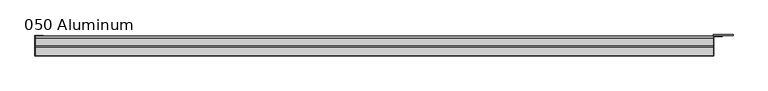
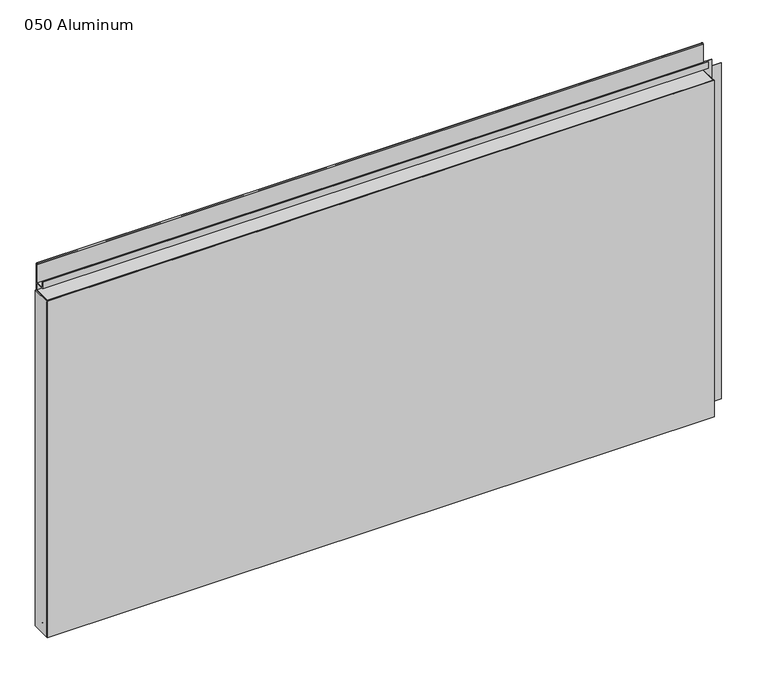
"""IFC4 building model written with IfcOpenShell, lengths in millimetres: plate geometry, 050 Aluminum."""

from ifc_helpers import new_model, si_unit, point, frame, frame_2d, origin, origin_with_axes, place, context, project, spatial, polyline, circle_curve, trimmed, segment, composite_curve, outline, extrude, source, transform, mapped, element, save


def plate_050_aluminum_1e2f2965(model_context):
    return source(origin(), model_context, "Body", "SweptSolid", [
        extrude(outline(polyline([(-576.58, -2.5660257), (-576.58, -34.7980001), (-577.8499999, -34.7980001), (-577.8499999, -1.2699999), (-563.6894994, -1.2699999), (-563.6894994, -2.5660257), (-576.58, -2.5660257)])), origin_with_axes(), (0.0, 0.0, 1.0), 608.33),
        extrude(outline(composite_curve([segment(polyline([(-16.6765477, 13.1458337), (-16.6765477, 2.786437), (-17.9464915, 2.786437), (-17.9464915, 13.1323356)]), True, "CONTINUOUS"), segment(trimmed(circle_curve(frame_2d((-19.8514743, 13.124237)), 1.905), [point((-17.9464915, 13.1323356))], [point((-21.7564743, 13.124237))], True, "CARTESIAN"), True, "CONTINUOUS"), segment(polyline([(-21.7564743, 13.124237), (-21.7564743, 0.0), (-34.7980002, 0.0), (-34.7980002, 1.2693678), (-23.0264743, 1.2693678), (-23.0264743, 13.124237)]), True, "CONTINUOUS"), segment(trimmed(circle_curve(frame_2d((-19.8514743, 13.124237)), 3.175), [point((-23.0264743, 13.124237))], [point((-16.6765477, 13.1458337))], False, "CARTESIAN"), True, "CONTINUOUS")], self_intersect=False)), frame((-576.58, 0.0, 0.0), z_axis=(1.0, 0.0, 0.0), x_axis=(0.0, 1.0, 0.0)), (0.0, 0.0, 1.0), 1140.46),
        extrude(outline(composite_curve([segment(polyline([(-2.0574743, 656.7932001), (-2.0574743, 608.33), (-34.7980002, 608.33), (-34.7980002, 609.6000001), (-3.3274743, 609.6000001), (-3.3274743, 656.7932001)]), True, "CONTINUOUS"), segment(trimmed(circle_curve(frame_2d((-3.7084742, 656.7932001)), 0.3809999), [point((-3.3274743, 656.7932001))], [point((-4.0894742, 656.7932001))], True, "CARTESIAN"), True, "CONTINUOUS"), segment(polyline([(-4.0894742, 656.7932001), (-4.0894742, 622.3), (-20.4864742, 622.3), (-20.4864742, 633.6538), (-19.2164743, 633.6538), (-19.2164743, 623.57), (-5.3594742, 623.57), (-5.3594742, 656.7932001)]), True, "CONTINUOUS"), segment(trimmed(circle_curve(frame_2d((-3.7084742, 656.7932001)), 1.6509999), [point((-5.3594742, 656.7932001))], [point((-2.0574743, 656.7932001))], False, "CARTESIAN"), True, "CONTINUOUS")], self_intersect=False)), frame((-576.58, 0.0, 0.0), z_axis=(1.0, 0.0, 0.0), x_axis=(0.0, 1.0, 0.0)), (0.0, 0.0, 1.0), 1140.46),
        extrude(outline(polyline([(-577.85, -36.068), (-577.85, -34.7980001), (565.15, -34.7980001), (565.15, -36.068), (-577.85, -36.068)])), origin_with_axes(), (0.0, 0.0, 1.0), 609.6),
        extrude(outline(polyline([(565.15, -1.2699999), (565.15, -34.7980002), (563.8800001, -34.7980002), (563.8800001, 0.0), (597.6620856, 0.0), (597.6620856, -1.2699999), (565.15, -1.2699999)])), origin_with_axes(), (0.0, 0.0, 1.0), 608.33),
        extrude(outline(polyline([(563.88, -3.3274743), (563.88, -2.0574743), (579.6279999, -2.0574743), (579.6279999, -3.3274743), (563.88, -3.3274743)])), origin_with_axes(), (0.0, 0.0, 1.0), 622.3),
    ])


if __name__ == "__main__":
    model = new_model("IFC4")
    model_context = context("Model", 3, world=origin())
    ifc_project = project(units=[si_unit("LENGTHUNIT", "METRE", prefix="MILLI")], contexts=[model_context])
    site = spatial("IfcSite", under=ifc_project)
    building = spatial("IfcBuilding", under=site)
    placement = place(None, origin())
    plate_050_aluminum_shape = plate_050_aluminum_1e2f2965(model_context)
    element("IfcPlate", 1, ObjectType="050 Aluminum", at=placement, inside=building, context=model_context, shape_type="MappedRepresentation", body=[
        mapped(plate_050_aluminum_shape, transform((0.0, 0.0, 0.0), x_axis=(1.0, 0.0, 0.0), y_axis=(0.0, 1.0, 0.0), z_axis=(0.0, 0.0, 1.0))),
    ])
    save(model, "model.ifc")
